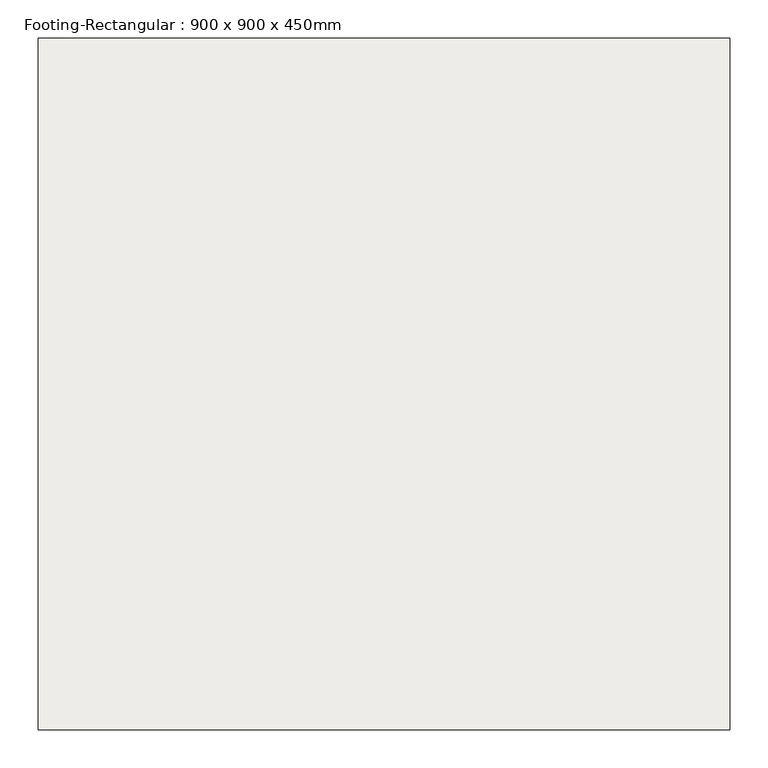
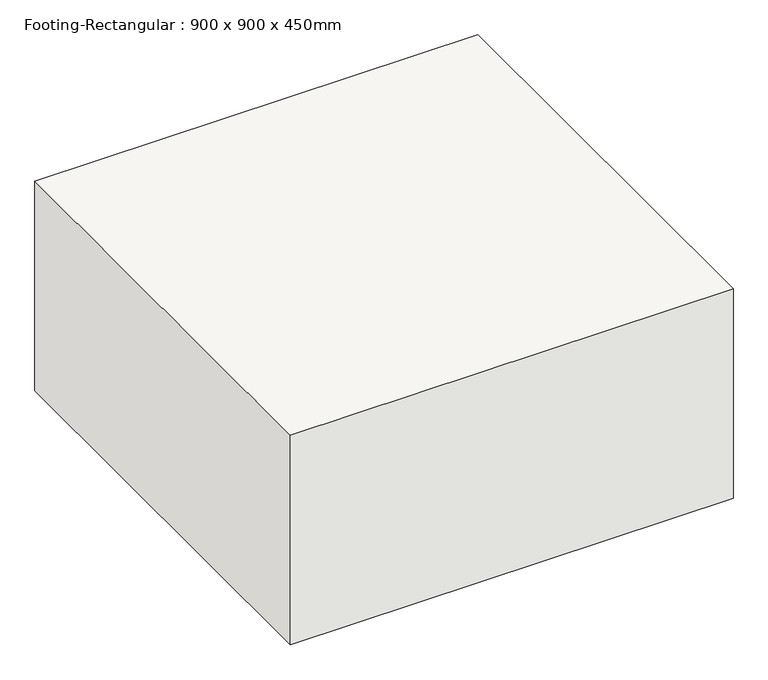
"""IFC4 building model written with IfcOpenShell, lengths in millimetres: slab geometry, Footing-Rectangular : 900 x 900 x 450mm."""

from ifc_helpers import new_model, si_unit, frame, origin, place, context, project, spatial, polyline, outline, extrude, source, transform, mapped, element, save


def footing_rectangular_900_x_900_x_450mm_ff176cd2(model_context):
    return source(origin(), model_context, "Body", "SweptSolid", [
        extrude(outline(polyline([(450.0, 450.0), (450.0, -450.0), (-450.0, -450.0), (-450.0, 450.0), (450.0, 450.0)])), frame((0.0, 0.0, -450.0), z_axis=(0.0, 0.0, 1.0), x_axis=(1.0, 0.0, 0.0)), (0.0, 0.0, 1.0), 450.0),
    ])


if __name__ == "__main__":
    model = new_model("IFC4")
    model_context = context("Model", 3, world=origin())
    ifc_project = project(units=[si_unit("LENGTHUNIT", "METRE", prefix="MILLI")], contexts=[model_context])
    site = spatial("IfcSite", under=ifc_project)
    building = spatial("IfcBuilding", under=site)
    placement = place(None, origin())
    footing_rectangular_900_x_900_x_450mm_shape = footing_rectangular_900_x_900_x_450mm_ff176cd2(model_context)
    element("IfcSlab", 1, ObjectType="Footing-Rectangular : 900 x 900 x 450mm", at=placement, inside=building, context=model_context, shape_type="MappedRepresentation", body=[
        mapped(footing_rectangular_900_x_900_x_450mm_shape, transform((0.0, 0.0, 0.0), x_axis=(1.0, 0.0, 0.0), y_axis=(0.0, 1.0, 0.0), z_axis=(0.0, 0.0, 1.0))),
    ])
    save(model, "model.ifc")
